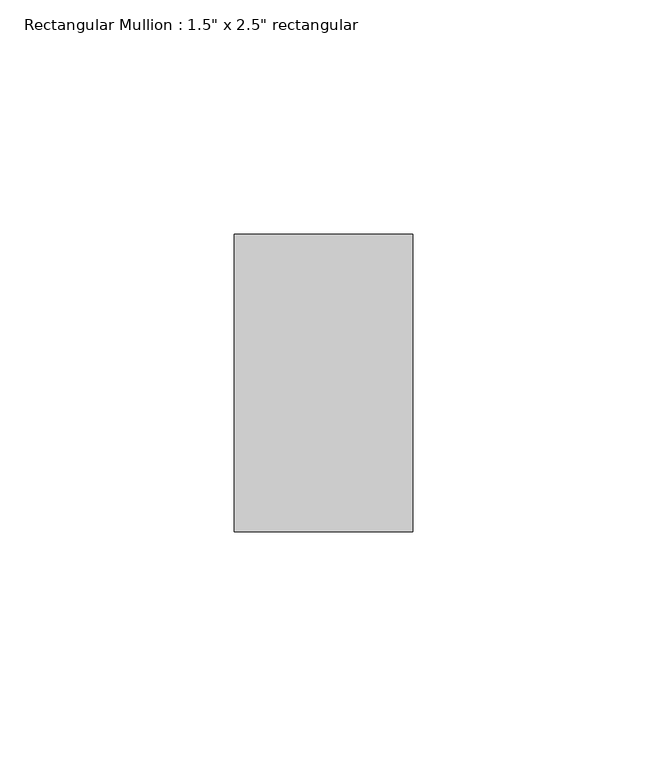
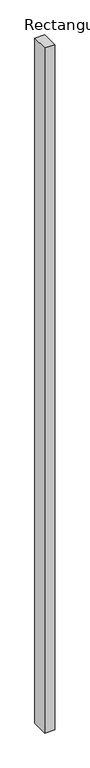
"""IFC4 building model written with IfcOpenShell, lengths in millimetres: member geometry."""

from ifc_helpers import new_model, si_unit, frame, origin, place, context, project, spatial, polyline, outline, extrude, source, transform, mapped, element, save


def member_1847c011(model_context):
    return source(origin(), model_context, "Body", "SweptSolid", [
        extrude(outline(polyline([(19.05, 31.75), (19.05, -31.75), (-19.05, -31.75), (-19.05, 31.75), (19.05, 31.75)])), frame((0.0, 0.0, -2743.2), z_axis=(0.0, 0.0, 1.0), x_axis=(1.0, 0.0, 0.0)), (0.0, 0.0, 1.0), 2743.2),
    ])


if __name__ == "__main__":
    model = new_model("IFC4")
    model_context = context("Model", 3, world=origin())
    ifc_project = project(units=[si_unit("LENGTHUNIT", "METRE", prefix="MILLI")], contexts=[model_context])
    site = spatial("IfcSite", under=ifc_project)
    building = spatial("IfcBuilding", under=site)
    placement = place(None, origin())
    member_shape = member_1847c011(model_context)
    element("IfcMember", 1, ObjectType="Rectangular Mullion : 1.5\" x 2.5\" rectangular", at=placement, inside=building, context=model_context, shape_type="MappedRepresentation", body=[
        mapped(member_shape, transform((0.0, 0.0, 0.0), x_axis=(1.0, 0.0, 0.0), y_axis=(0.0, 1.0, 0.0), z_axis=(0.0, 0.0, 1.0))),
    ])
    save(model, "model.ifc")
